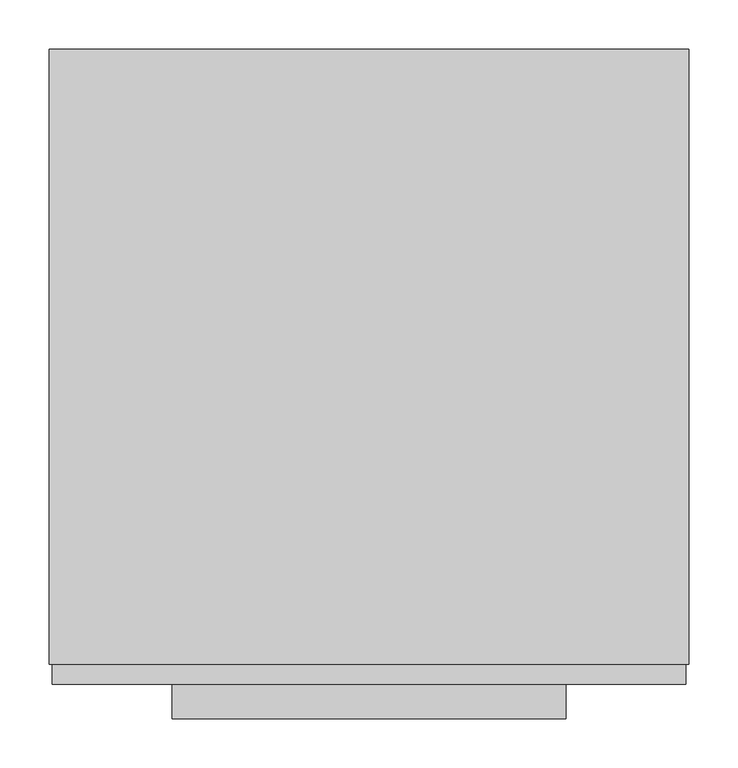
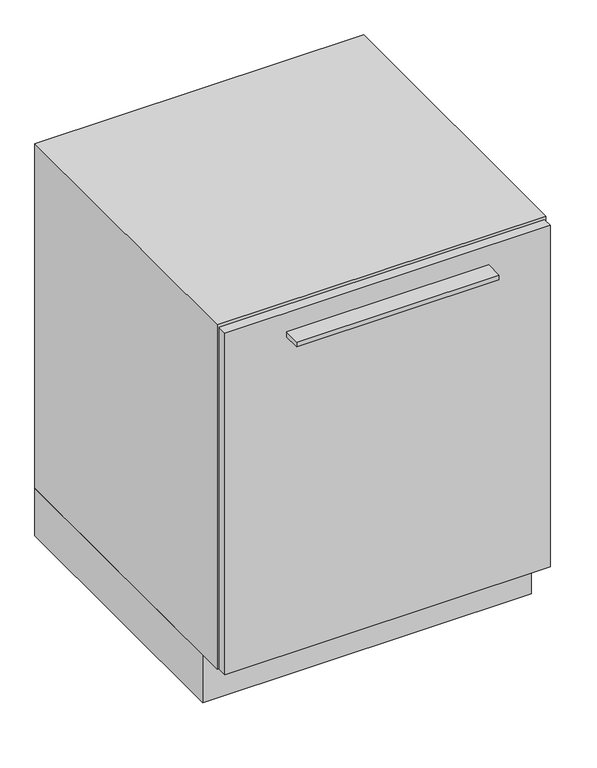
"""IFC4 building model written with IfcOpenShell, lengths in millimetres: furniture geometry."""

from ifc_helpers import new_model, si_unit, frame, origin, origin_with_axes, place, context, project, spatial, polyline, outline, extrude, faceted_brep, source, transform, mapped, element, save


def furniture_4e704e86(model_context):
    return source(origin(), model_context, "Body", "SolidModel", [
        extrude(outline(polyline([(244.7003264, -680.0), (-155.2996736, -680.0), (-155.2996736, -645.0), (244.7003264, -645.0), (244.7003264, -680.0)])), frame((0.0, 0.0, 764.0), z_axis=(0.0, 0.0, 1.0), x_axis=(1.0, 0.0, 0.0)), (0.0, 0.0, 1.0), 10.0),
        extrude(outline(polyline([(366.7003264, -645.0), (-277.2996736, -645.0), (-277.2996736, -625.0), (366.7003264, -625.0), (366.7003264, -645.0)])), frame((0.0, 0.0, 100.0), z_axis=(0.0, 0.0, 1.0), x_axis=(1.0, 0.0, 0.0)), (0.0, 0.0, 1.0), 714.0),
        faceted_brep([(369.7003264, 0.0, 820.0), (-280.2996736, 0.0, 820.0), (-280.2996736, -625.0, 820.0), (369.7003264, -625.0, 820.0), (369.7003264, 0.0, 100.0), (369.7003264, -625.0, 100.0), (-280.2996736, -625.0, 100.0), (-280.2996736, 0.0, 100.0), (-260.2996736, -625.0, 800.0), (349.7003264, -625.0, 800.0), (349.7003264, -625.0, 120.0), (-260.2996736, -625.0, 120.0), (349.7003264, -10.0, 800.0), (-260.2996736, -10.0, 800.0), (-260.2996736, -10.0, 120.0), (349.7003264, -10.0, 120.0)], [[[0, 1, 2, 3]], [[4, 5, 6, 7]], [[1, 0, 4, 7]], [[2, 1, 7, 6]], [[3, 2, 6, 5], [8, 9, 10, 11]], [[0, 3, 5, 4]], [[12, 13, 14, 15]], [[13, 12, 9, 8]], [[14, 13, 8, 11]], [[15, 14, 11, 10]], [[12, 15, 10, 9]]]),
        extrude(outline(polyline([(369.7003264, 0.0), (369.7003264, -575.0), (-280.2996736, -575.0), (-280.2996736, 0.0), (369.7003264, 0.0)])), origin_with_axes(), (0.0, 0.0, 1.0), 100.0),
    ])


if __name__ == "__main__":
    model = new_model("IFC4")
    model_context = context("Model", 3, world=origin())
    ifc_project = project(units=[si_unit("LENGTHUNIT", "METRE", prefix="MILLI")], contexts=[model_context])
    site = spatial("IfcSite", under=ifc_project)
    building = spatial("IfcBuilding", under=site)
    placement = place(None, origin())
    furniture_shape = furniture_4e704e86(model_context)
    element("IfcFurniture", 1, at=placement, inside=building, context=model_context, shape_type="MappedRepresentation", body=[
        mapped(furniture_shape, transform((0.0, 0.0, 0.0), x_axis=(1.0, 0.0, 0.0), y_axis=(0.0, 1.0, 0.0), z_axis=(0.0, 0.0, 1.0))),
    ])
    save(model, "model.ifc")
